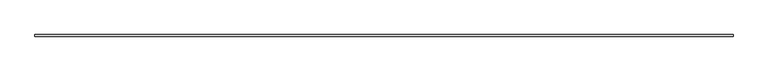
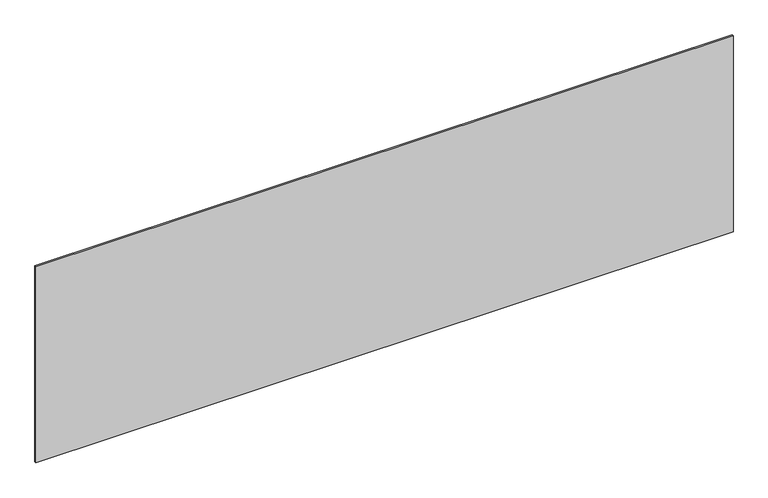
"""IFC4 building model written with IfcOpenShell, lengths in millimetres: plate geometry."""

from ifc_helpers import new_model, si_unit, origin, origin_with_axes, place, context, project, spatial, polyline, outline, extrude, source, transform, mapped, element, save


def plate_c0ff7ac1(model_context):
    return source(origin(), model_context, "Body", "SweptSolid", [
        extrude(outline(polyline([(2189.1666667, -5.0), (-2189.1666667, -5.0), (-2189.1666667, 5.0), (2189.1666667, 5.0), (2189.1666667, -5.0)])), origin_with_axes(), (0.0, 0.0, 1.0), 1301.6065399),
    ])


if __name__ == "__main__":
    model = new_model("IFC4")
    model_context = context("Model", 3, world=origin())
    ifc_project = project(units=[si_unit("LENGTHUNIT", "METRE", prefix="MILLI")], contexts=[model_context])
    site = spatial("IfcSite", under=ifc_project)
    building = spatial("IfcBuilding", under=site)
    placement = place(None, origin())
    plate_shape = plate_c0ff7ac1(model_context)
    element("IfcPlate", 1, at=placement, inside=building, context=model_context, shape_type="MappedRepresentation", body=[
        mapped(plate_shape, transform((0.0, 0.0, 0.0), x_axis=(1.0, 0.0, 0.0), y_axis=(0.0, 1.0, 0.0), z_axis=(0.0, 0.0, 1.0))),
    ])
    save(model, "model.ifc")
